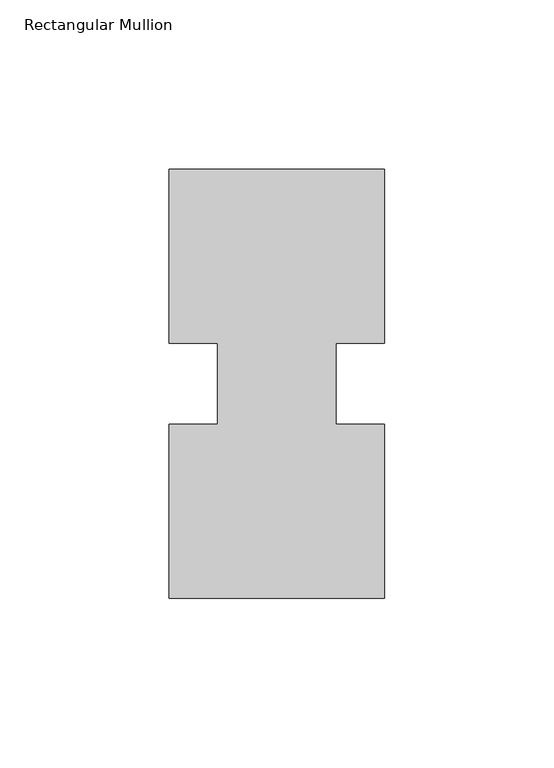
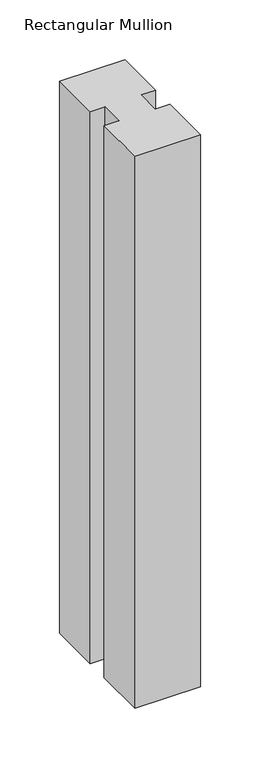
"""IFC4 building model written with IfcOpenShell, lengths in millimetres: member geometry, Rectangular Mullion."""

from ifc_helpers import new_model, si_unit, frame, origin, place, context, project, spatial, polyline, outline, extrude, source, transform, mapped, element, save


def rectangular_mullion_4c01f38a(model_context):
    return source(origin(), model_context, "Body", "SweptSolid", [
        extrude(outline(polyline([(0.0, 0.26035), (-63.5, 0.26035), (-63.5, 51.60645), (-49.2125, 51.60645), (-49.2125, 75.40625), (-63.5, 75.40625), (-63.5, 126.75235), (0.0, 126.75235), (0.0, 75.40625), (-14.2748, 75.40625), (-14.2748, 51.60645), (0.0, 51.60645), (0.0, 0.26035)])), frame((0.0, 0.0, -565.1563826), z_axis=(0.0, 0.0, 1.0), x_axis=(1.0, 0.0, 0.0)), (0.0, 0.0, 1.0), 565.1563826),
    ])


if __name__ == "__main__":
    model = new_model("IFC4")
    model_context = context("Model", 3, world=origin())
    ifc_project = project(units=[si_unit("LENGTHUNIT", "METRE", prefix="MILLI")], contexts=[model_context])
    site = spatial("IfcSite", under=ifc_project)
    building = spatial("IfcBuilding", under=site)
    placement = place(None, origin())
    rectangular_mullion_shape = rectangular_mullion_4c01f38a(model_context)
    element("IfcMember", 1, ObjectType="Rectangular Mullion", at=placement, inside=building, context=model_context, shape_type="MappedRepresentation", body=[
        mapped(rectangular_mullion_shape, transform((0.0, 0.0, 0.0), x_axis=(1.0, 0.0, 0.0), y_axis=(0.0, 1.0, 0.0), z_axis=(0.0, 0.0, 1.0))),
    ])
    save(model, "model.ifc")
